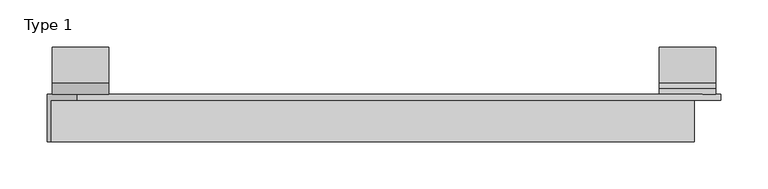
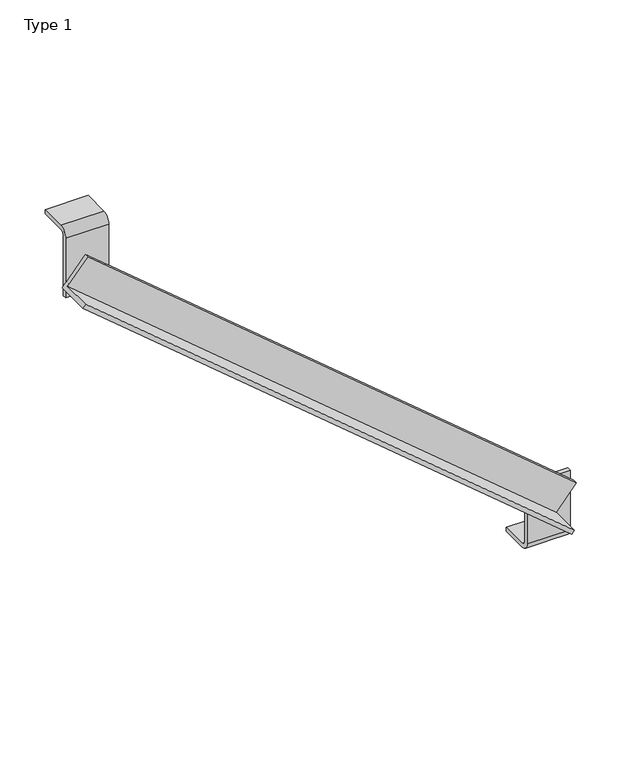
"""IFC4 building model written with IfcOpenShell, lengths in millimetres: proxy geometry, Type 1."""

from ifc_helpers import new_model, si_unit, point, frame, frame_2d, origin, place, context, project, spatial, polyline, circle_curve, trimmed, segment, composite_curve, outline, extrude, source, transform, mapped, element, save


def type_1_ed5378f7(model_context):
    return source(origin(), model_context, "Body", "SweptSolid", [
        extrude(outline(composite_curve([segment(trimmed(circle_curve(frame_2d((159.5, 788.0)), 6.0), [point((159.5, 794.0))], [point((153.5, 788.0))], True, "CARTESIAN"), True, "CONTINUOUS"), segment(polyline([(153.5, 788.0), (153.5, 700.0), (147.5, 700.0), (147.5, 788.0)]), True, "CONTINUOUS"), segment(trimmed(circle_curve(frame_2d((159.5, 788.0)), 12.0), [point((147.5, 788.0))], [point((159.5, 800.0))], False, "CARTESIAN"), True, "CONTINUOUS"), segment(polyline([(159.5, 800.0), (197.5, 800.0), (197.5, 794.0), (159.5, 794.0)]), True, "CONTINUOUS")], self_intersect=False)), frame((-673.54694, 0.0, 0.0), z_axis=(1.0, 0.0, 0.0), x_axis=(0.0, 1.0, 0.0)), (0.0, 0.0, 1.0), 60.0),
        extrude(outline(polyline([(0.0, -24.9999999), (-6.0, -24.9999999), (-6.0, 19.0000001), (-50.0, 19.0000001), (-50.0, 25.0000001), (0.0, 25.0000001), (0.0, -24.9999999)])), frame((19.1511111, 147.5, 163.9303098), z_axis=(-0.7660444431189753, 0.0, 0.6427876096865426), x_axis=(0.0, 1.0, 0.0)), (0.0, 0.0, 1.0), 890.0908665),
        extrude(outline(composite_curve([segment(polyline([(159.5, 106.0), (197.5, 106.0), (197.5, 100.0), (159.5, 100.0)]), True, "CONTINUOUS"), segment(trimmed(circle_curve(frame_2d((159.5, 112.0)), 12.0), [point((159.5, 100.0))], [point((147.5, 112.0))], False, "CARTESIAN"), True, "CONTINUOUS"), segment(polyline([(147.5, 112.0), (147.5, 200.0), (153.5, 200.0), (153.5, 112.0)]), True, "CONTINUOUS"), segment(trimmed(circle_curve(frame_2d((159.5, 112.0)), 6.0), [point((153.5, 112.0))], [point((159.5, 106.0))], True, "CARTESIAN"), True, "CONTINUOUS")], self_intersect=False)), frame((-30.0, 0.0, 0.0), z_axis=(1.0, 0.0, 0.0), x_axis=(0.0, 1.0, 0.0)), (0.0, 0.0, 1.0), 60.0),
    ])


if __name__ == "__main__":
    model = new_model("IFC4")
    model_context = context("Model", 3, world=origin())
    ifc_project = project(units=[si_unit("LENGTHUNIT", "METRE", prefix="MILLI")], contexts=[model_context])
    site = spatial("IfcSite", under=ifc_project)
    building = spatial("IfcBuilding", under=site)
    placement = place(None, origin())
    type_1_shape = type_1_ed5378f7(model_context)
    element("IfcBuildingElementProxy", 1, Name="Type 1", ObjectType="Type 1", at=placement, inside=building, context=model_context, shape_type="MappedRepresentation", body=[
        mapped(type_1_shape, transform((0.0, 0.0, 0.0), x_axis=(1.0, 0.0, 0.0), y_axis=(0.0, 1.0, 0.0), z_axis=(0.0, 0.0, 1.0))),
    ])
    save(model, "model.ifc")
